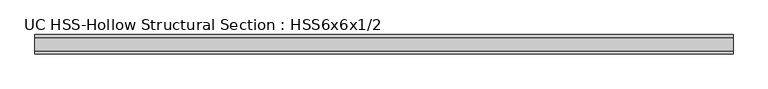
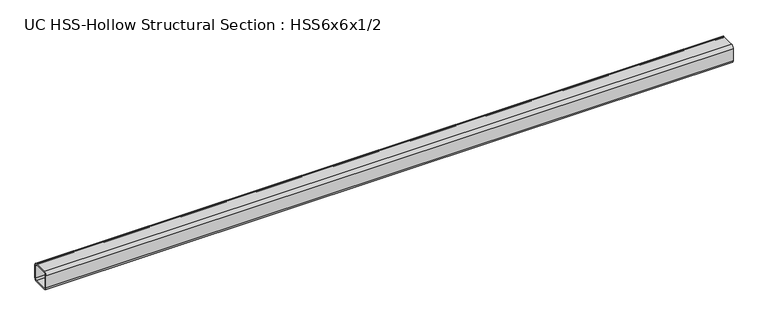
"""IFC4 building model written with IfcOpenShell, lengths in millimetres: member geometry, UC HSS-Hollow Structural Section : HSS6x6x1/2."""

from ifc_helpers import new_model, si_unit, point, frame, frame_2d, origin, place, context, project, spatial, polyline, circle_curve, trimmed, segment, composite_curve, outline, extrude, source, transform, mapped, element, save


def uc_hss_hollow_structural_section_hss6x6x1_2_ea6e4585(model_context):
    return source(origin(), model_context, "Body", "SweptSolid", [
        extrude(outline(composite_curve([segment(polyline([(76.2, 52.578), (76.2, -52.578)]), True, "CONTINUOUS"), segment(trimmed(circle_curve(frame_2d((52.578, -52.578)), 23.622), [point((76.2, -52.578))], [point((52.578, -76.2))], False, "CARTESIAN"), True, "CONTINUOUS"), segment(polyline([(52.578, -76.2), (-52.578, -76.2)]), True, "CONTINUOUS"), segment(trimmed(circle_curve(frame_2d((-52.578, -52.578)), 23.622), [point((-52.578, -76.2))], [point((-76.2, -52.578))], False, "CARTESIAN"), True, "CONTINUOUS"), segment(polyline([(-76.2, -52.578), (-76.2, 52.578)]), True, "CONTINUOUS"), segment(trimmed(circle_curve(frame_2d((-52.578, 52.578)), 23.622), [point((-76.2, 52.578))], [point((-52.578, 76.2))], False, "CARTESIAN"), True, "CONTINUOUS"), segment(polyline([(-52.578, 76.2), (52.578, 76.2)]), True, "CONTINUOUS"), segment(trimmed(circle_curve(frame_2d((52.578, 52.578)), 23.622), [point((52.578, 76.2))], [point((76.2, 52.578))], False, "CARTESIAN"), True, "CONTINUOUS")], self_intersect=False), holes=[composite_curve([segment(trimmed(circle_curve(frame_2d((-52.578, 52.578)), 11.811), [point((-52.578, 64.389))], [point((-64.389, 52.578))], True, "CARTESIAN"), True, "CONTINUOUS"), segment(polyline([(-64.389, 52.578), (-64.389, -52.578)]), True, "CONTINUOUS"), segment(trimmed(circle_curve(frame_2d((-52.578, -52.578)), 11.811), [point((-64.389, -52.578))], [point((-52.578, -64.389))], True, "CARTESIAN"), True, "CONTINUOUS"), segment(polyline([(-52.578, -64.389), (52.578, -64.389)]), True, "CONTINUOUS"), segment(trimmed(circle_curve(frame_2d((52.578, -52.578)), 11.811), [point((52.578, -64.389))], [point((64.389, -52.578))], True, "CARTESIAN"), True, "CONTINUOUS"), segment(polyline([(64.389, -52.578), (64.389, 52.578)]), True, "CONTINUOUS"), segment(trimmed(circle_curve(frame_2d((52.578, 52.578)), 11.811), [point((64.389, 52.578))], [point((52.578, 64.389))], True, "CARTESIAN"), True, "CONTINUOUS"), segment(polyline([(52.578, 64.389), (-52.578, 64.389)]), True, "CONTINUOUS")], self_intersect=False)]), frame((-2639.1612826, 0.0, 0.0), z_axis=(1.0, 0.0, 0.0), x_axis=(0.0, 1.0, 0.0)), (0.0, 0.0, 1.0), 5540.9029983),
    ])


if __name__ == "__main__":
    model = new_model("IFC4")
    model_context = context("Model", 3, world=origin())
    ifc_project = project(units=[si_unit("LENGTHUNIT", "METRE", prefix="MILLI")], contexts=[model_context])
    site = spatial("IfcSite", under=ifc_project)
    building = spatial("IfcBuilding", under=site)
    placement = place(None, origin())
    uc_hss_hollow_structural_section_hss6x6x1_2_shape = uc_hss_hollow_structural_section_hss6x6x1_2_ea6e4585(model_context)
    element("IfcMember", 1, ObjectType="UC HSS-Hollow Structural Section : HSS6x6x1/2", at=placement, inside=building, context=model_context, shape_type="MappedRepresentation", body=[
        mapped(uc_hss_hollow_structural_section_hss6x6x1_2_shape, transform((0.0, 0.0, 0.0), x_axis=(1.0, 0.0, 0.0), y_axis=(0.0, 1.0, 0.0), z_axis=(0.0, 0.0, 1.0))),
    ])
    save(model, "model.ifc")
